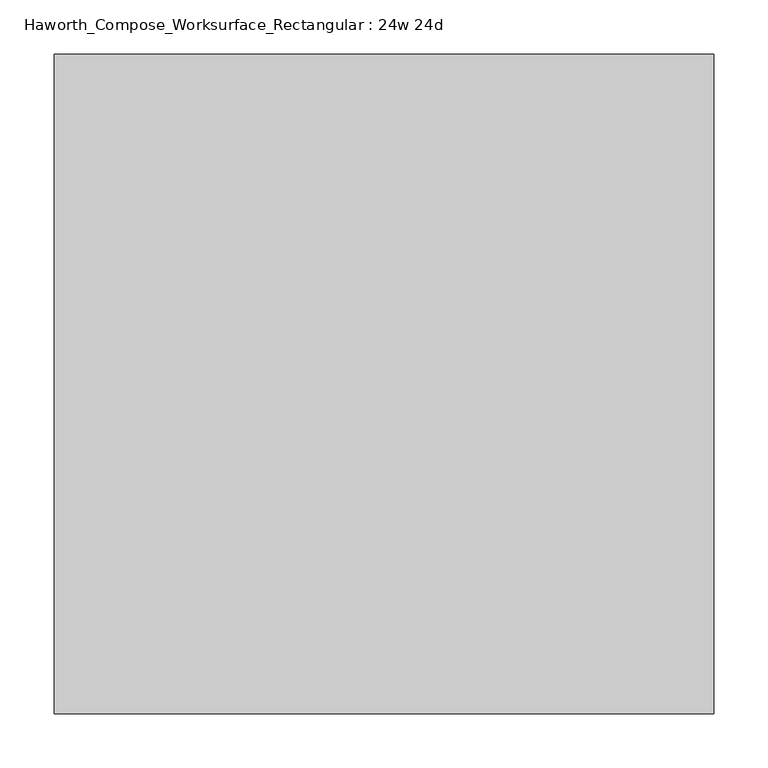
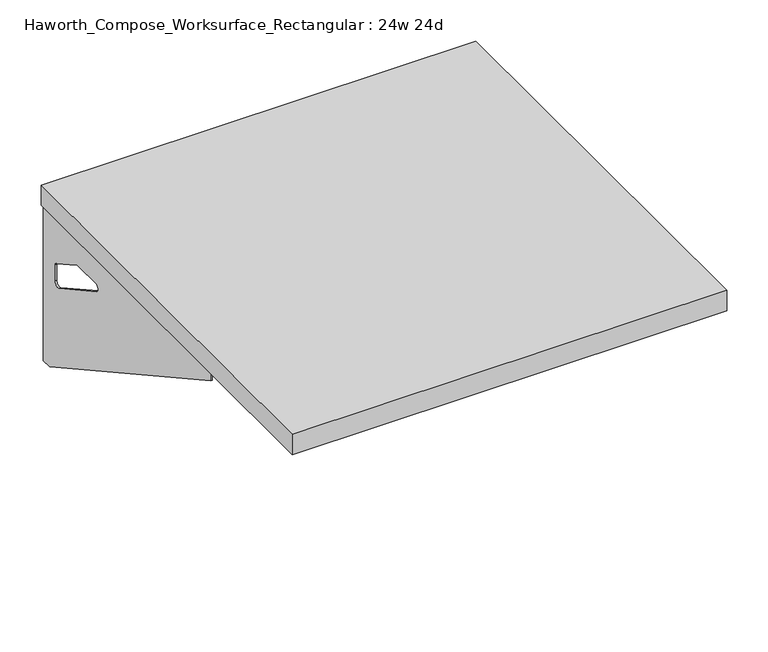
"""IFC4 building model written with IfcOpenShell, lengths in millimetres: furniture geometry, Haworth_Compose_Worksurface_Rectangular : 24w 24d."""

from ifc_helpers import new_model, si_unit, frame, origin, place, context, project, spatial, polyline, circle_curve, outline, extrude, source, transform, mapped, element, save
from ifc_brep_helpers import plane_surface, revolved_surface, advanced_brep


def haworth_compose_worksurface_rectangular_24w_24d_7b4b72a8(model_context):
    return source(origin(), model_context, "Body", "SolidModel", [
        advanced_brep(
        [(299.24375, 304.8, 475.45625), (299.24375, 288.925, 475.45625), (299.24375, -101.6, 691.7192568), (299.24375, -101.6, 704.05625), (299.24375, 288.925, 704.05625), (299.24375, 304.8, 704.05625), (299.24375, 221.490072, 665.95625), (299.24375, 177.8355284, 665.95625), (299.24375, 175.1564235, 656.3705539), (299.24375, 266.8776173, 605.5776439), (299.24375, 276.225, 611.1756969), (299.24375, 276.225, 634.6860246), (299.24375, 274.4730055, 637.5242776), (299.24375, 224.5663437, 665.1613425), (301.625, 304.8, 475.45625), (301.625, 304.8, 704.05625), (301.625, 288.925, 704.05625), (301.625, 288.925, 706.4375), (301.625, -101.6, 706.4375), (301.625, -101.6, 691.7192568), (301.625, 288.925, 475.45625), (301.625, 221.490072, 665.95625), (301.625, 224.5663437, 665.1613425), (301.625, 274.4730055, 637.5242776), (301.625, 276.225, 634.6860246), (301.625, 276.225, 611.1756969), (301.625, 266.8776173, 605.5776439), (301.625, 175.1564235, 656.3705539), (301.625, 177.8355284, 665.95625), (260.35, -101.6, 706.4375), (260.35, -101.6, 704.05625), (260.35, 288.925, 704.05625), (260.35, 288.925, 706.4375)],
        [
            (0, 1),
            (1, 2),
            (2, 3),
            (3, 4),
            (4, 5),
            (5, 0),
            (6, 7),
            (7, 8, circle_curve(frame((299.24375, 177.8355284, 660.7890106), z_axis=(1.0, 0.0, 0.0), x_axis=(0.0, -1.0, 0.0)), 5.1672394)),
            (8, 9),
            (9, 10, circle_curve(frame((299.24375, 269.875, 611.1756969), z_axis=(1.0, 0.0, 0.0), x_axis=(0.0, -1.0, 0.0)), 6.35)),
            (10, 11),
            (11, 12, circle_curve(frame((299.24375, 273.05, 634.6860246), z_axis=(1.0, 0.0, 0.0), x_axis=(0.0, -1.0, 0.0)), 3.175)),
            (12, 13),
            (13, 6, circle_curve(frame((299.24375, 221.490072, 659.60625), z_axis=(1.0, 0.0, 0.0), x_axis=(0.0, -1.0, 0.0)), 6.35)),
            (14, 15),
            (15, 16),
            (16, 17),
            (17, 18),
            (18, 19),
            (19, 20),
            (20, 14),
            (21, 22, circle_curve(frame((301.625, 221.490072, 659.60625), z_axis=(-1.0, 0.0, 0.0), x_axis=(0.0, -1.0, 0.0)), 6.35)),
            (22, 23),
            (23, 24, circle_curve(frame((301.625, 273.05, 634.6860246), z_axis=(-1.0, 0.0, 0.0), x_axis=(0.0, -1.0, 0.0)), 3.175)),
            (24, 25),
            (25, 26, circle_curve(frame((301.625, 269.875, 611.1756969), z_axis=(-1.0, 0.0, 0.0), x_axis=(0.0, -1.0, 0.0)), 6.35)),
            (26, 27),
            (27, 28, circle_curve(frame((301.625, 177.8355284, 660.7890106), z_axis=(-1.0, 0.0, 0.0), x_axis=(0.0, -1.0, 0.0)), 5.1672394)),
            (28, 21),
            (4, 16),
            (15, 5),
            (14, 0),
            (20, 1),
            (19, 2),
            (18, 29),
            (29, 30),
            (30, 3),
            (6, 21),
            (28, 7),
            (9, 26),
            (25, 10),
            (24, 11),
            (23, 12),
            (27, 8),
            (31, 4),
            (30, 31),
            (32, 29),
            (17, 32),
            (31, 32),
            (22, 13),
        ],
        [
            plane_surface(frame((299.24375, 304.8, 475.45625), z_axis=(-1.0, 0.0, 0.0), x_axis=(0.0, 1.0, 0.0))),
            plane_surface(frame((301.625, 304.8, 475.45625), z_axis=(1.0, 0.0, 0.0), x_axis=(0.0, -1.0, 0.0))),
            plane_surface(frame((301.625, -101.6, 704.05625), z_axis=(0.0, 0.0, 1.0), x_axis=(-1.0, 0.0, 0.0))),
            plane_surface(frame((301.625, 304.8, 704.05625), z_axis=(0.0, 1.0, 0.0), x_axis=(-1.0, 0.0, 0.0))),
            plane_surface(frame((301.625, 304.8, 475.45625), z_axis=(0.0, 0.0, -1.0), x_axis=(-1.0, 0.0, 0.0))),
            plane_surface(frame((301.625, 288.925, 475.45625), z_axis=(0.0, -0.48445223513455843, -0.8748177135112952), x_axis=(-1.0, 0.0, 0.0))),
            plane_surface(frame((301.625, -101.6, 691.7192568), z_axis=(0.0, -1.0, 0.0), x_axis=(-1.0, 0.0, 0.0))),
            plane_surface(frame((301.625, 221.490072, 665.95625), z_axis=(0.0, 0.0, -1.0), x_axis=(-1.0, 0.0, 0.0))),
            revolved_surface(polyline([(299.24375, 263.525, 611.1756969), (301.625, 263.525, 611.1756969)]), (301.625, 269.875, 611.1756969), (-1.0, 0.0, 0.0)),
            plane_surface(frame((301.625, 276.225, 611.1756969), z_axis=(0.0, -1.0, 0.0), x_axis=(-1.0, 0.0, 0.0))),
            revolved_surface(polyline([(299.24375, 269.875, 634.6860246), (301.625, 269.875, 634.6860246)]), (301.625, 273.05, 634.6860246), (-1.0, 0.0, 0.0)),
            revolved_surface(polyline([(299.24375, 172.668289, 660.7890106), (301.625, 172.668289, 660.7890106)]), (301.625, 177.8355284, 660.7890106), (-1.0, 0.0, 0.0)),
            plane_surface(frame((301.625, 288.925, 704.05625), z_axis=(0.0, 0.0, -1.0), x_axis=(-1.0, 0.0, 0.0))),
            plane_surface(frame((301.625, 288.925, 706.4375), z_axis=(0.0, 0.0, 1.0), x_axis=(1.0, 0.0, 0.0))),
            plane_surface(frame((260.35, 288.925, 706.4375), z_axis=(0.0, 1.0, 0.0), x_axis=(0.0, 0.0, -1.0))),
            plane_surface(frame((260.35, -101.6, 706.4375), z_axis=(-1.0, 0.0, 0.0), x_axis=(0.0, 0.0, -1.0))),
            plane_surface(frame((301.625, 175.1564235, 656.3705539), z_axis=(0.0, 0.4844522351345583, 0.8748177135112953), x_axis=(-1.0, 0.0, 0.0))),
            plane_surface(frame((301.625, 274.4730055, 637.5242776), z_axis=(0.0, -0.4844522351345582, -0.8748177135112953), x_axis=(-1.0, 0.0, 0.0))),
            revolved_surface(polyline([(299.24375, 215.140072, 659.60625), (301.625, 215.140072, 659.60625)]), (301.625, 221.490072, 659.60625), (-1.0, 0.0, 0.0)),
        ],
        [
            (0, [[1, 2, 3, 4, 5, 6], [7, 8, 9, 10, 11, 12, 13, 14]]),
            (1, [[15, 16, 17, 18, 19, 20, 21], [22, 23, 24, 25, 26, 27, 28, 29]]),
            (2, [[-5, 30, -16, 31]]),
            (3, [[-31, -15, 32, -6]]),
            (4, [[-32, -21, 33, -1]]),
            (5, [[-33, -20, 34, -2]]),
            (6, [[-34, -19, 35, 36, 37, -3]]),
            (7, [[38, -29, 39, -7]]),
            (8, [[40, -26, 41, -10]]),
            (9, [[-41, -25, 42, -11]]),
            (10, [[-42, -24, 43, -12]]),
            (11, [[-39, -28, 44, -8]]),
            (12, [[45, -4, -37, 46]]),
            (13, [[47, -35, -18, 48]]),
            (14, [[-17, -30, -45, 49, -48]]),
            (15, [[-36, -47, -49, -46]]),
            (16, [[-44, -27, -40, -9]]),
            (17, [[-43, -23, 50, -13]]),
            (18, [[-50, -22, -38, -14]]),
        ],
    ),
        advanced_brep(
        [(-299.24375, 304.8, 475.45625), (-299.24375, 304.8, 704.05625), (-299.24375, 288.925, 704.05625), (-299.24375, -101.6, 704.05625), (-299.24375, -101.6, 691.7192568), (-299.24375, 288.925, 475.45625), (-299.24375, 221.490072, 665.95625), (-299.24375, 224.5663437, 665.1613425), (-299.24375, 274.4730055, 637.5242776), (-299.24375, 276.225, 634.6860246), (-299.24375, 276.225, 611.1756969), (-299.24375, 266.8776173, 605.5776439), (-299.24375, 175.1564235, 656.3705539), (-299.24375, 177.8355284, 665.95625), (-301.625, 304.8, 475.45625), (-301.625, 288.925, 475.45625), (-301.625, -101.6, 691.7192568), (-301.625, -101.6, 706.4375), (-301.625, 288.925, 706.4375), (-301.625, 288.925, 704.05625), (-301.625, 304.8, 704.05625), (-301.625, 221.490072, 665.95625), (-301.625, 177.8355284, 665.95625), (-301.625, 175.1564235, 656.3705539), (-301.625, 266.8776173, 605.5776439), (-301.625, 276.225, 611.1756969), (-301.625, 276.225, 634.6860246), (-301.625, 274.4730055, 637.5242776), (-301.625, 224.5663437, 665.1613425), (-260.35, -101.6, 704.05625), (-260.35, -101.6, 706.4375), (-260.35, 288.925, 704.05625), (-260.35, 288.925, 706.4375)],
        [
            (0, 1),
            (1, 2),
            (2, 3),
            (3, 4),
            (4, 5),
            (5, 0),
            (6, 7, circle_curve(frame((-299.24375, 221.490072, 659.60625), z_axis=(-1.0, 0.0, 0.0), x_axis=(0.0, -1.0, 0.0)), 6.35)),
            (7, 8),
            (8, 9, circle_curve(frame((-299.24375, 273.05, 634.6860246), z_axis=(-1.0, 0.0, 0.0), x_axis=(0.0, -1.0, 0.0)), 3.175)),
            (9, 10),
            (10, 11, circle_curve(frame((-299.24375, 269.875, 611.1756969), z_axis=(-1.0, 0.0, 0.0), x_axis=(0.0, -1.0, 0.0)), 6.35)),
            (11, 12),
            (12, 13, circle_curve(frame((-299.24375, 177.8355284, 660.7890106), z_axis=(-1.0, 0.0, 0.0), x_axis=(0.0, -1.0, 0.0)), 5.1672394)),
            (13, 6),
            (14, 15),
            (15, 16),
            (16, 17),
            (17, 18),
            (18, 19),
            (19, 20),
            (20, 14),
            (21, 22),
            (22, 23, circle_curve(frame((-301.625, 177.8355284, 660.7890106), z_axis=(1.0, 0.0, 0.0), x_axis=(0.0, -1.0, 0.0)), 5.1672394)),
            (23, 24),
            (24, 25, circle_curve(frame((-301.625, 269.875, 611.1756969), z_axis=(1.0, 0.0, 0.0), x_axis=(0.0, -1.0, 0.0)), 6.35)),
            (25, 26),
            (26, 27, circle_curve(frame((-301.625, 273.05, 634.6860246), z_axis=(1.0, 0.0, 0.0), x_axis=(0.0, -1.0, 0.0)), 3.175)),
            (27, 28),
            (28, 21, circle_curve(frame((-301.625, 221.490072, 659.60625), z_axis=(1.0, 0.0, 0.0), x_axis=(0.0, -1.0, 0.0)), 6.35)),
            (1, 20),
            (19, 2),
            (0, 14),
            (5, 15),
            (4, 16),
            (3, 29),
            (29, 30),
            (30, 17),
            (13, 22),
            (21, 6),
            (10, 25),
            (24, 11),
            (9, 26),
            (8, 27),
            (12, 23),
            (31, 29),
            (2, 31),
            (32, 18),
            (30, 32),
            (32, 31),
            (7, 28),
        ],
        [
            plane_surface(frame((-299.24375, 304.8, 475.45625), z_axis=(1.0, 0.0, 0.0), x_axis=(0.0, 1.0, 0.0))),
            plane_surface(frame((-301.625, 304.8, 475.45625), z_axis=(-1.0, 0.0, 0.0), x_axis=(0.0, -1.0, 0.0))),
            plane_surface(frame((-301.625, -101.6, 704.05625), z_axis=(0.0, 0.0, 1.0), x_axis=(1.0, 0.0, 0.0))),
            plane_surface(frame((-301.625, 304.8, 704.05625), z_axis=(0.0, 1.0, 0.0), x_axis=(1.0, 0.0, 0.0))),
            plane_surface(frame((-301.625, 304.8, 475.45625), z_axis=(0.0, 0.0, -1.0), x_axis=(1.0, 0.0, 0.0))),
            plane_surface(frame((-301.625, 288.925, 475.45625), z_axis=(0.0, -0.48445223513455843, -0.8748177135112952), x_axis=(1.0, 0.0, 0.0))),
            plane_surface(frame((-301.625, -101.6, 691.7192568), z_axis=(0.0, -1.0, 0.0), x_axis=(1.0, 0.0, 0.0))),
            plane_surface(frame((-301.625, 221.490072, 665.95625), z_axis=(0.0, 0.0, -1.0), x_axis=(1.0, 0.0, 0.0))),
            revolved_surface(polyline([(-299.24375, 263.525, 611.1756969), (-301.625, 263.525, 611.1756969)]), (-301.625, 269.875, 611.1756969), (1.0, 0.0, 0.0)),
            plane_surface(frame((-301.625, 276.225, 611.1756969), z_axis=(0.0, -1.0, 0.0), x_axis=(1.0, 0.0, 0.0))),
            revolved_surface(polyline([(-299.24375, 269.875, 634.6860246), (-301.625, 269.875, 634.6860246)]), (-301.625, 273.05, 634.6860246), (1.0, 0.0, 0.0)),
            revolved_surface(polyline([(-299.24375, 172.668289, 660.7890106), (-301.625, 172.668289, 660.7890106)]), (-301.625, 177.8355284, 660.7890106), (1.0, 0.0, 0.0)),
            plane_surface(frame((-301.625, 288.925, 704.05625), z_axis=(0.0, 0.0, -1.0), x_axis=(1.0, 0.0, 0.0))),
            plane_surface(frame((-301.625, 288.925, 706.4375), z_axis=(0.0, 0.0, 1.0), x_axis=(-1.0, 0.0, 0.0))),
            plane_surface(frame((-260.35, 288.925, 706.4375), z_axis=(0.0, 1.0, 0.0), x_axis=(0.0, 0.0, -1.0))),
            plane_surface(frame((-260.35, -101.6, 706.4375), z_axis=(1.0, 0.0, 0.0), x_axis=(0.0, 0.0, -1.0))),
            plane_surface(frame((-301.625, 175.1564235, 656.3705539), z_axis=(0.0, 0.4844522351345583, 0.8748177135112953), x_axis=(1.0, 0.0, 0.0))),
            plane_surface(frame((-301.625, 274.4730055, 637.5242776), z_axis=(0.0, -0.4844522351345582, -0.8748177135112953), x_axis=(1.0, 0.0, 0.0))),
            revolved_surface(polyline([(-299.24375, 215.140072, 659.60625), (-301.625, 215.140072, 659.60625)]), (-301.625, 221.490072, 659.60625), (1.0, 0.0, 0.0)),
        ],
        [
            (0, [[1, 2, 3, 4, 5, 6], [7, 8, 9, 10, 11, 12, 13, 14]]),
            (1, [[15, 16, 17, 18, 19, 20, 21], [22, 23, 24, 25, 26, 27, 28, 29]]),
            (2, [[30, -20, 31, -2]]),
            (3, [[-1, 32, -21, -30]]),
            (4, [[-6, 33, -15, -32]]),
            (5, [[-5, 34, -16, -33]]),
            (6, [[-4, 35, 36, 37, -17, -34]]),
            (7, [[-14, 38, -22, 39]]),
            (8, [[-11, 40, -25, 41]]),
            (9, [[-10, 42, -26, -40]]),
            (10, [[-9, 43, -27, -42]]),
            (11, [[-13, 44, -23, -38]]),
            (12, [[45, -35, -3, 46]]),
            (13, [[47, -18, -37, 48]]),
            (14, [[-47, 49, -46, -31, -19]]),
            (15, [[-45, -49, -48, -36]]),
            (16, [[-12, -41, -24, -44]]),
            (17, [[-8, 50, -28, -43]]),
            (18, [[-7, -39, -29, -50]]),
        ],
    ),
        extrude(outline(polyline([(304.8, 304.8), (304.8, -304.8), (-304.8, -304.8), (-304.8, 304.8), (304.8, 304.8)])), frame((0.0, 0.0, 706.4375), z_axis=(0.0, 0.0, 1.0), x_axis=(1.0, 0.0, 0.0)), (0.0, 0.0, 1.0), 30.1625),
    ])


if __name__ == "__main__":
    model = new_model("IFC4")
    model_context = context("Model", 3, world=origin())
    ifc_project = project(units=[si_unit("LENGTHUNIT", "METRE", prefix="MILLI")], contexts=[model_context])
    site = spatial("IfcSite", under=ifc_project)
    building = spatial("IfcBuilding", under=site)
    placement = place(None, origin())
    haworth_compose_worksurface_rectangular_24w_24d_shape = haworth_compose_worksurface_rectangular_24w_24d_7b4b72a8(model_context)
    element("IfcFurniture", 1, ObjectType="Haworth_Compose_Worksurface_Rectangular : 24w 24d", at=placement, inside=building, context=model_context, shape_type="MappedRepresentation", body=[
        mapped(haworth_compose_worksurface_rectangular_24w_24d_shape, transform((0.0, 0.0, 0.0), x_axis=(1.0, 0.0, 0.0), y_axis=(0.0, 1.0, 0.0), z_axis=(0.0, 0.0, 1.0))),
    ])
    save(model, "model.ifc")
